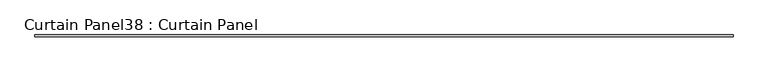
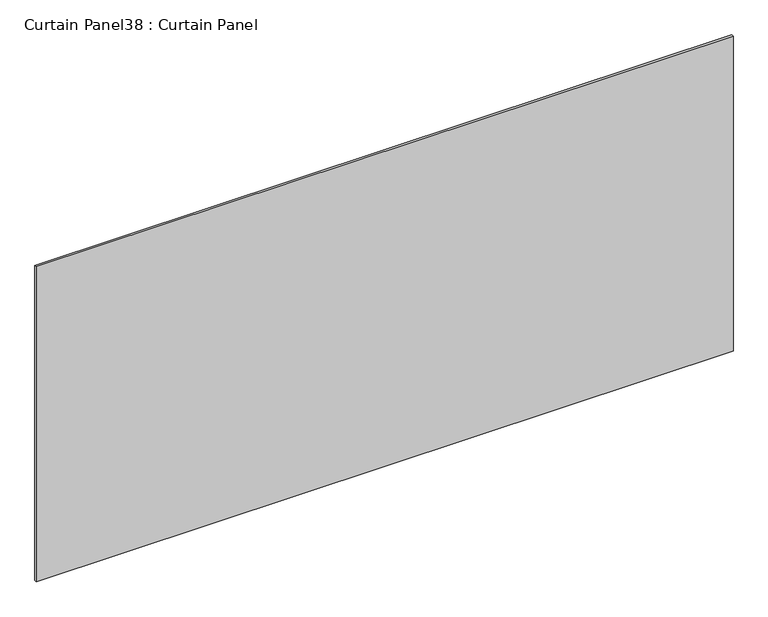
"""IFC4 building model written with IfcOpenShell, lengths in millimetres: plate geometry, Curtain Panel38 : Curtain Panel."""

from ifc_helpers import new_model, si_unit, frame, origin, place, context, project, spatial, polyline, outline, extrude, source, transform, mapped, element, save


def curtain_panel38_curtain_panel_bc46eccd(model_context):
    return source(origin(), model_context, "Body", "SweptSolid", [
        extrude(outline(polyline([(-16503.9514736, 666.0938036), (-18777.2498086, 666.0938036), (-18777.2498086, 672.4438036), (-16503.9514736, 672.4438036), (-16503.9514736, 666.0938036)])), frame((0.0, 0.0, 1951.9920728), z_axis=(0.0, 0.0, 1.0), x_axis=(1.0, 0.0, 0.0)), (0.0, 0.0, 1.0), 1086.890884),
    ])


if __name__ == "__main__":
    model = new_model("IFC4")
    model_context = context("Model", 3, world=origin())
    ifc_project = project(units=[si_unit("LENGTHUNIT", "METRE", prefix="MILLI")], contexts=[model_context])
    site = spatial("IfcSite", under=ifc_project)
    building = spatial("IfcBuilding", under=site)
    placement = place(None, origin())
    curtain_panel38_curtain_panel_shape = curtain_panel38_curtain_panel_bc46eccd(model_context)
    element("IfcPlate", 1, ObjectType="Curtain Panel38 : Curtain Panel", at=placement, inside=building, context=model_context, shape_type="MappedRepresentation", body=[
        mapped(curtain_panel38_curtain_panel_shape, transform((0.0, 0.0, 0.0), x_axis=(1.0, 0.0, 0.0), y_axis=(0.0, 1.0, 0.0), z_axis=(0.0, 0.0, 1.0))),
    ])
    save(model, "model.ifc")
